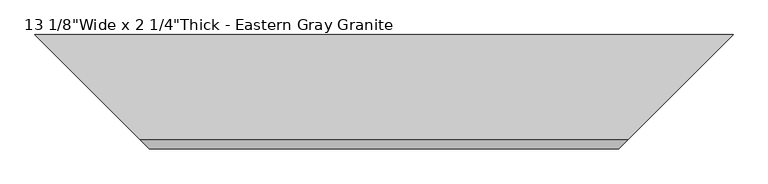
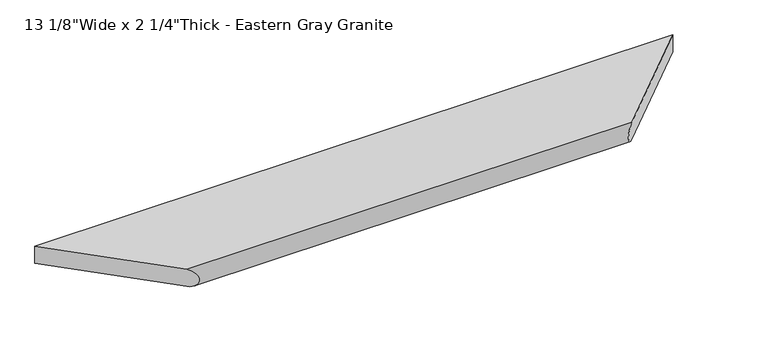
"""IFC4 building model written with IfcOpenShell, lengths in millimetres: proxy geometry."""

import ifcopenshell
import ifcopenshell.guid

model = None  # the IFC model being written
_history = None  # IfcOwnerHistory: only IFC2X3 demands one
_inside = {}  # id of a spatial element -> (the spatial element, [elements in it])
_under = {}  # id of a project, library or spatial element -> (it, [spatial elements below it])
_declared = {}  # id of a project -> (the project, [libraries it declares])
_typed = {}  # id of a type object -> (the type object, [elements of that type])
_made_of = {}  # id of a material, layer set ... -> (it, [elements and type objects made of it])


def new_model(schema):
    """Start an empty IFC model of exactly this schema.

    Asked for "IFC4X3", IfcOpenShell would pick the latest addendum, in which some entities
    have other attributes; the version numbers below select the first issue.
    IFC2X3 requires an IfcOwnerHistory on every rooted entity: one is made here for all.
    """
    global model, _history
    if schema == "IFC4X3":
        model = ifcopenshell.file(schema_version=(4, 3, 0, 0))
    else:
        model = ifcopenshell.file(schema=schema)
    _inside.clear()
    _under.clear()
    _declared.clear()
    _typed.clear()
    _made_of.clear()
    _history = None
    if model.schema == "IFC2X3":
        org = make("IfcOrganization", Name="unknown")
        user = make(
            "IfcPersonAndOrganization",
            ThePerson=make("IfcPerson", FamilyName="unknown"),
            TheOrganization=org,
        )
        app = make(
            "IfcApplication",
            ApplicationDeveloper=org,
            Version="unknown",
            ApplicationFullName="unknown",
            ApplicationIdentifier="unknown",
        )
        _history = make(
            "IfcOwnerHistory",
            OwningUser=user,
            OwningApplication=app,
            ChangeAction="ADDED",
            CreationDate=0,
        )
    return model


def make(cls, **values):
    """One entity of the class cls with the attributes given. An attribute that is None is left unset."""
    return model.create_entity(
        cls, **{name: value for name, value in values.items() if value is not None}
    )


def rooted(cls, **values):
    """An entity with a GlobalId (a new one), such as an element, a storey or a relation."""
    return make(cls, GlobalId=ifcopenshell.guid.new(), OwnerHistory=_history, **values)


def si_unit(unit_type, name, prefix=None):
    """IfcSIUnit, for example si_unit("LENGTHUNIT", "METRE", prefix="MILLI")."""
    return make("IfcSIUnit", UnitType=unit_type, Prefix=prefix, Name=name)


def assignment(units):
    """IfcUnitAssignment: the units of a project."""
    return None if units is None else make("IfcUnitAssignment", Units=units)


def point(xyz):
    """IfcCartesianPoint."""
    return None if xyz is None else make("IfcCartesianPoint", Coordinates=xyz)


def direction(xyz):
    """IfcDirection."""
    return None if xyz is None else make("IfcDirection", DirectionRatios=xyz)


def frame(location, z_axis=None, x_axis=None):
    """IfcAxis2Placement3D, a coordinate frame: its origin and axes. An axis left out is left unset."""
    return make(
        "IfcAxis2Placement3D",
        Location=point(location),
        Axis=direction(z_axis),
        RefDirection=direction(x_axis),
    )


def origin():
    """The frame at (0, 0, 0) with its axes left unset."""
    return frame((0.0, 0.0, 0.0))


def place(relative_to, where):
    """IfcLocalPlacement: puts the frame where relative to a parent placement (None: the world)."""
    return make(
        "IfcLocalPlacement", PlacementRelTo=relative_to, RelativePlacement=where
    )


def context(
    kind, dimensions, precision=None, world=None, true_north=None, identifier=None
):
    """IfcGeometricRepresentationContext, for example the 3D "Model" context."""
    return make(
        "IfcGeometricRepresentationContext",
        ContextIdentifier=identifier,
        ContextType=kind,
        CoordinateSpaceDimension=dimensions,
        Precision=precision,
        WorldCoordinateSystem=world,
        TrueNorth=true_north,
    )


def project(units=None, contexts=None):
    """IfcProject with its units and contexts."""
    return rooted(
        "IfcProject",
        Name="project",
        RepresentationContexts=contexts,
        UnitsInContext=assignment(units),
    )


def spatial(cls, under=None, at=None, **own):
    """A site, building, storey or space (cls), placed at a placement, below another one or the project."""
    s = rooted(cls, ObjectPlacement=at, **own)
    if under is not None:
        _under.setdefault(under.id(), (under, []))[1].append(s)
    return s


def ellipse_curve(where, semi_axis1, semi_axis2):
    """IfcEllipse in the frame where."""
    return make(
        "IfcEllipse", Position=where, SemiAxis1=semi_axis1, SemiAxis2=semi_axis2
    )


def shape(context_of_items, identifier, shape_type, items):
    """IfcShapeRepresentation: the items that make up one representation, for example the "Body"."""
    return make(
        "IfcShapeRepresentation",
        ContextOfItems=context_of_items,
        RepresentationIdentifier=identifier,
        RepresentationType=shape_type,
        Items=items,
    )


def source(mapping_origin, context_of_items, identifier, shape_type, items):
    """IfcRepresentationMap: a shape defined once, which mapped items show again and again."""
    return make(
        "IfcRepresentationMap",
        MappingOrigin=mapping_origin,
        MappedRepresentation=shape(context_of_items, identifier, shape_type, items),
    )


def transform(
    local_origin,
    x_axis=None,
    y_axis=None,
    z_axis=None,
    scale=None,
    scale2=None,
    scale3=None,
    uniform=True,
):
    """IfcCartesianTransformationOperator3D, or its non-uniform kind. x_axis, y_axis, z_axis: its Axis1, 2, 3."""
    if uniform:
        return make(
            "IfcCartesianTransformationOperator3D",
            Axis1=direction(x_axis),
            Axis2=direction(y_axis),
            LocalOrigin=point(local_origin),
            Scale=scale,
            Axis3=direction(z_axis),
        )
    return make(
        "IfcCartesianTransformationOperator3DnonUniform",
        Axis1=direction(x_axis),
        Axis2=direction(y_axis),
        LocalOrigin=point(local_origin),
        Scale=scale,
        Axis3=direction(z_axis),
        Scale2=scale2,
        Scale3=scale3,
    )


def mapped(mapping_source, mapping_target):
    """IfcMappedItem: shows the shape of a source again, moved by a transform."""
    return make(
        "IfcMappedItem", MappingSource=mapping_source, MappingTarget=mapping_target
    )


def made_of(thing, what):
    """Note that an element or type object is made of a material, layer set ...; save() writes the relation."""
    if what is not None:
        _made_of.setdefault(what.id(), (what, []))[1].append(thing)
    return thing


def element(
    cls,
    number,
    at=None,
    inside=None,
    cuts=None,
    type_object=None,
    material=None,
    context=None,
    identifier="Body",
    shape_type=None,
    held_by="IfcProductDefinitionShape",
    body=None,
    shapes=None,
    **own,
):
    """One element of the class cls, such as IfcWall. Its Tag is "e" and its number.

    at: its placement. inside: the storey or other place that contains it. cuts: it is an
    opening in that element (IfcRelVoidsElement). A single representation is given by context,
    identifier, shape_type and body (its items); several are given by shapes. held_by: the class
    of the entity that holds the representations. save() writes the other relations.
    """
    e = rooted(cls, Tag="e%d" % number, ObjectPlacement=at, **own)
    if body is not None:
        shapes = [shape(context, identifier, shape_type, body)]
    if shapes is not None:
        e.Representation = make(held_by, Representations=shapes)
    if inside is not None:
        _inside.setdefault(inside.id(), (inside, []))[1].append(e)
    if cuts is not None:
        rooted(
            "IfcRelVoidsElement", RelatingBuildingElement=cuts, RelatedOpeningElement=e
        )
    if type_object is not None:
        _typed.setdefault(type_object.id(), (type_object, []))[1].append(e)
    return made_of(e, material)


def aggregate(whole, parts):
    """IfcRelAggregates: a whole, such as a stair, and the parts it consists of."""
    return rooted("IfcRelAggregates", RelatingObject=whole, RelatedObjects=parts)


def save(model, path):
    """Write the relations noted so far, then the file.

    IfcRelAggregates (storeys below a building ...), IfcRelContainedInSpatialStructure (elements
    in a storey), IfcRelDefinesByType, IfcRelAssociatesMaterial and IfcRelDeclares: one each for
    every whole, place, type object, material and project.
    """
    for whole, parts in _under.values():
        aggregate(whole, parts)
    for where, things in _inside.values():
        rooted(
            "IfcRelContainedInSpatialStructure",
            RelatedElements=things,
            RelatingStructure=where,
        )
    for kind, things in _typed.values():
        rooted("IfcRelDefinesByType", RelatedObjects=things, RelatingType=kind)
    for what, things in _made_of.values():
        rooted("IfcRelAssociatesMaterial", RelatedObjects=things, RelatingMaterial=what)
    for by, libraries in _declared.values():
        rooted("IfcRelDeclares", RelatingContext=by, RelatedDefinitions=libraries)
    model.write(path)


def plane_surface(at):
    """IfcPlane: the flat surface through the origin of the frame at, square to its z axis."""
    return make("IfcPlane", Position=at)


def cylinder_surface(at, radius):
    """IfcCylindricalSurface: all points at the distance radius from the z axis of the frame at."""
    return make("IfcCylindricalSurface", Position=at, Radius=radius)


def advanced_brep(points, edges, surfaces, faces):
    """IfcAdvancedBrep: a solid bounded by faces that lie on surfaces and meet in shared edges.

    An edge is (start, end): straight between two places in points (the first is 0);
    or (start, end, curve); or (start, end, curve, False) where it runs against its curve.
    A face is (place in surfaces, loops), or (place, loops, False) where it looks against
    its surface's normal. A loop lists edges by number (the first is 1), with a minus sign
    where the edge is run from its end to its start. The first loop is the outer one.
    """
    corners = [point(p) for p in points]
    vertices = [make("IfcVertexPoint", VertexGeometry=c) for c in corners]
    made = []
    for start, end, *more in edges:
        made.append(
            make(
                "IfcEdgeCurve",
                EdgeStart=vertices[start],
                EdgeEnd=vertices[end],
                EdgeGeometry=more[0] if more else make("IfcPolyline", Points=[corners[start], corners[end]]),
                SameSense=more[1] if len(more) > 1 else True,
            )
        )
    hull = []
    for where, loops, *sense in faces:
        bounds = []
        for j, loop in enumerate(loops):
            ring = [make("IfcOrientedEdge", EdgeElement=made[abs(k) - 1], Orientation=k > 0) for k in loop]
            bounds.append(
                make(
                    "IfcFaceOuterBound" if j == 0 else "IfcFaceBound",
                    Bound=make("IfcEdgeLoop", EdgeList=ring),
                    Orientation=True,
                )
            )
        hull.append(make("IfcAdvancedFace", Bounds=bounds, FaceSurface=surfaces[where], SameSense=sense[0] if sense else True))
    return make("IfcAdvancedBrep", Outer=make("IfcClosedShell", CfsFaces=hull))


def proxy_cbe936fd(model_context):
    return source(origin(), model_context, "Body", "AdvancedBrep", [
        advanced_brep(
        [(307.18125, -307.18125, 57.15), (307.18125, -307.18125, 0.0), (1724.81875, -307.18125, 0.0), (1724.81875, -307.18125, 57.15), (2032.0, 0.0, 57.15), (0.0, 0.0, 57.15), (2032.0, 0.0, 0.0), (0.0, 0.0, 0.0)],
        [
            (0, 1, ellipse_curve(frame((304.6812614, -304.6812614, 28.575), z_axis=(0.7071067811865491, 0.7071067811865459, 0.0), x_axis=(-0.7071067811865459, 0.707106781186549, 0.0)), 40.5655166, 28.6841519)),
            (1, 2),
            (2, 3, ellipse_curve(frame((1727.3187386, -304.6812614, 28.575), z_axis=(-0.7071067811864425, 0.7071067811866526, 0.0), x_axis=(-0.7071067811866525, -0.7071067811864425, 0.0)), 40.5655166, 28.6841519)),
            (3, 0),
            (4, 5),
            (5, 0),
            (3, 4),
            (4, 6),
            (6, 7),
            (7, 5),
            (6, 2),
            (1, 7),
        ],
        [
            cylinder_surface(frame((2032.0, -304.6812614, 28.575), z_axis=(-1.0, 0.0, 0.0), x_axis=(0.0, -1.0, 0.0)), 28.6841519),
            plane_surface(frame((0.0, -307.18125, 57.15), z_axis=(0.0, 0.0, 1.0), x_axis=(1.0, 0.0, 0.0))),
            plane_surface(frame((0.0, 0.0, 57.15), z_axis=(0.0, 1.0, 0.0), x_axis=(1.0, 0.0, 0.0))),
            plane_surface(frame((0.0, 0.0, 0.0), z_axis=(0.0, 0.0, -1.0), x_axis=(1.0, 0.0, 0.0))),
            plane_surface(frame((342.9, -342.9, 76.2), z_axis=(-0.7071067811865491, -0.7071067811865459, 0.0), x_axis=(0.0, 0.0, -1.0))),
            plane_surface(frame((2032.0, 0.0, 76.2), z_axis=(0.7071067811864425, -0.7071067811866526, 0.0), x_axis=(0.0, 0.0, -1.0))),
        ],
        [
            (0, [[1, 2, 3, 4]]),
            (1, [[5, 6, -4, 7]]),
            (2, [[-5, 8, 9, 10]]),
            (3, [[-9, 11, -2, 12]]),
            (4, [[-1, -6, -10, -12]]),
            (5, [[-3, -11, -8, -7]]),
        ],
    ),
    ])


if __name__ == "__main__":
    model = new_model("IFC4")
    model_context = context("Model", 3, world=origin())
    ifc_project = project(units=[si_unit("LENGTHUNIT", "METRE", prefix="MILLI")], contexts=[model_context])
    site = spatial("IfcSite", under=ifc_project)
    building = spatial("IfcBuilding", under=site)
    placement = place(None, origin())
    proxy_shape = proxy_cbe936fd(model_context)
    element("IfcBuildingElementProxy", 1, Name="13 1/8\"Wide x 2 1/4\"Thick - Eastern Gray Granite", ObjectType="13 1/8\"Wide x 2 1/4\"Thick - Eastern Gray Granite", at=placement, inside=building, context=model_context, shape_type="MappedRepresentation", body=[
        mapped(proxy_shape, transform((0.0, 0.0, 0.0), x_axis=(1.0, 0.0, 0.0), y_axis=(0.0, 1.0, 0.0), z_axis=(0.0, 0.0, 1.0))),
    ])
    save(model, "model.ifc")
